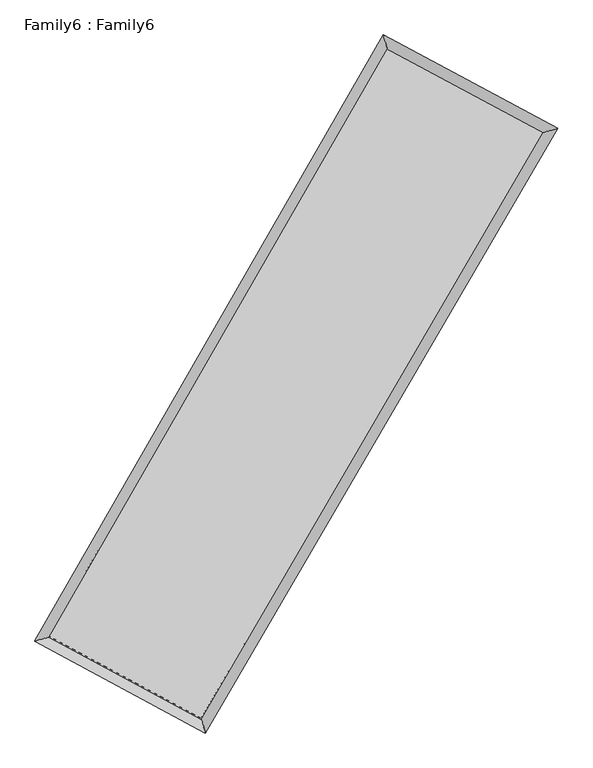
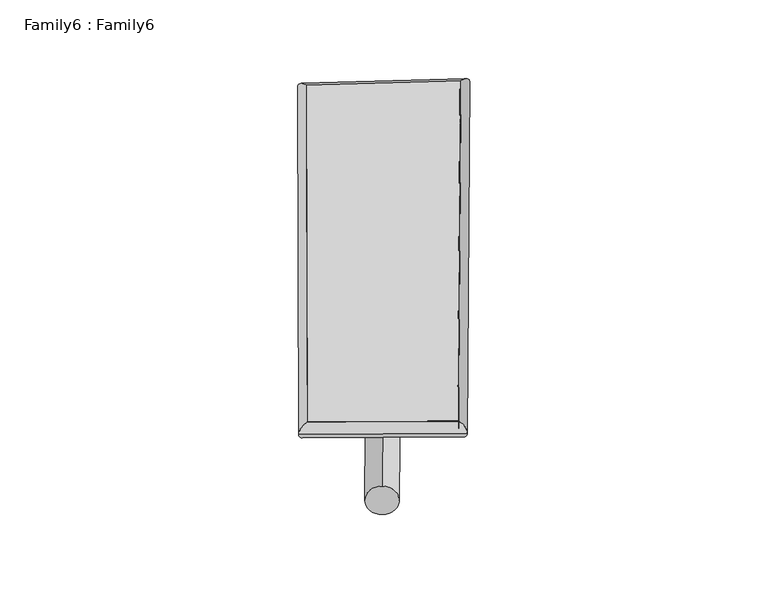
"""IFC4 building model written with IfcOpenShell, lengths in millimetres: plate geometry, Family6 : Family6."""

import ifcopenshell
import ifcopenshell.guid

model = None  # the IFC model being written
_history = None  # IfcOwnerHistory: only IFC2X3 demands one
_inside = {}  # id of a spatial element -> (the spatial element, [elements in it])
_under = {}  # id of a project, library or spatial element -> (it, [spatial elements below it])
_declared = {}  # id of a project -> (the project, [libraries it declares])
_typed = {}  # id of a type object -> (the type object, [elements of that type])
_made_of = {}  # id of a material, layer set ... -> (it, [elements and type objects made of it])


def new_model(schema):
    """Start an empty IFC model of exactly this schema.

    Asked for "IFC4X3", IfcOpenShell would pick the latest addendum, in which some entities
    have other attributes; the version numbers below select the first issue.
    IFC2X3 requires an IfcOwnerHistory on every rooted entity: one is made here for all.
    """
    global model, _history
    if schema == "IFC4X3":
        model = ifcopenshell.file(schema_version=(4, 3, 0, 0))
    else:
        model = ifcopenshell.file(schema=schema)
    _inside.clear()
    _under.clear()
    _declared.clear()
    _typed.clear()
    _made_of.clear()
    _history = None
    if model.schema == "IFC2X3":
        org = make("IfcOrganization", Name="unknown")
        user = make(
            "IfcPersonAndOrganization",
            ThePerson=make("IfcPerson", FamilyName="unknown"),
            TheOrganization=org,
        )
        app = make(
            "IfcApplication",
            ApplicationDeveloper=org,
            Version="unknown",
            ApplicationFullName="unknown",
            ApplicationIdentifier="unknown",
        )
        _history = make(
            "IfcOwnerHistory",
            OwningUser=user,
            OwningApplication=app,
            ChangeAction="ADDED",
            CreationDate=0,
        )
    return model


def make(cls, **values):
    """One entity of the class cls with the attributes given. An attribute that is None is left unset."""
    return model.create_entity(
        cls, **{name: value for name, value in values.items() if value is not None}
    )


def rooted(cls, **values):
    """An entity with a GlobalId (a new one), such as an element, a storey or a relation."""
    return make(cls, GlobalId=ifcopenshell.guid.new(), OwnerHistory=_history, **values)


def si_unit(unit_type, name, prefix=None):
    """IfcSIUnit, for example si_unit("LENGTHUNIT", "METRE", prefix="MILLI")."""
    return make("IfcSIUnit", UnitType=unit_type, Prefix=prefix, Name=name)


def assignment(units):
    """IfcUnitAssignment: the units of a project."""
    return None if units is None else make("IfcUnitAssignment", Units=units)


def point(xyz):
    """IfcCartesianPoint."""
    return None if xyz is None else make("IfcCartesianPoint", Coordinates=xyz)


def direction(xyz):
    """IfcDirection."""
    return None if xyz is None else make("IfcDirection", DirectionRatios=xyz)


def frame(location, z_axis=None, x_axis=None):
    """IfcAxis2Placement3D, a coordinate frame: its origin and axes. An axis left out is left unset."""
    return make(
        "IfcAxis2Placement3D",
        Location=point(location),
        Axis=direction(z_axis),
        RefDirection=direction(x_axis),
    )


def frame_2d(location, x_axis=None):
    """IfcAxis2Placement2D, a coordinate frame in the plane: its origin and x axis."""
    return make(
        "IfcAxis2Placement2D", Location=point(location), RefDirection=direction(x_axis)
    )


def origin():
    """The frame at (0, 0, 0) with its axes left unset."""
    return frame((0.0, 0.0, 0.0))


def origin_2d():
    """The frame at (0, 0) in the plane with its x axis left unset."""
    return frame_2d((0.0, 0.0))


def place(relative_to, where):
    """IfcLocalPlacement: puts the frame where relative to a parent placement (None: the world)."""
    return make(
        "IfcLocalPlacement", PlacementRelTo=relative_to, RelativePlacement=where
    )


def context(
    kind, dimensions, precision=None, world=None, true_north=None, identifier=None
):
    """IfcGeometricRepresentationContext, for example the 3D "Model" context."""
    return make(
        "IfcGeometricRepresentationContext",
        ContextIdentifier=identifier,
        ContextType=kind,
        CoordinateSpaceDimension=dimensions,
        Precision=precision,
        WorldCoordinateSystem=world,
        TrueNorth=true_north,
    )


def project(units=None, contexts=None):
    """IfcProject with its units and contexts."""
    return rooted(
        "IfcProject",
        Name="project",
        RepresentationContexts=contexts,
        UnitsInContext=assignment(units),
    )


def spatial(cls, under=None, at=None, **own):
    """A site, building, storey or space (cls), placed at a placement, below another one or the project."""
    s = rooted(cls, ObjectPlacement=at, **own)
    if under is not None:
        _under.setdefault(under.id(), (under, []))[1].append(s)
    return s


def circle_curve(where, radius):
    """IfcCircle in the frame where."""
    return make("IfcCircle", Position=where, Radius=radius)


def ellipse_curve(where, semi_axis1, semi_axis2):
    """IfcEllipse in the frame where."""
    return make(
        "IfcEllipse", Position=where, SemiAxis1=semi_axis1, SemiAxis2=semi_axis2
    )


def trimmed(basis, trim1, trim2, sense, master):
    """IfcTrimmedCurve: the piece of a basis curve between two trims."""
    return make(
        "IfcTrimmedCurve",
        BasisCurve=basis,
        Trim1=trim1,
        Trim2=trim2,
        SenseAgreement=sense,
        MasterRepresentation=master,
    )


def segment(curve, same_sense, transition):
    """IfcCompositeCurveSegment."""
    return make(
        "IfcCompositeCurveSegment",
        Transition=transition,
        SameSense=same_sense,
        ParentCurve=curve,
    )


def composite_curve(segments, self_intersect=None):
    """IfcCompositeCurve: segments joined end to end."""
    return make("IfcCompositeCurve", Segments=segments, SelfIntersect=self_intersect)


def outline(outer, holes=None, kind="AREA"):
    """IfcArbitraryClosedProfileDef: a profile drawn as a closed curve; with holes, ...WithVoids."""
    if holes is None:
        return make("IfcArbitraryClosedProfileDef", ProfileType=kind, OuterCurve=outer)
    return make(
        "IfcArbitraryProfileDefWithVoids",
        ProfileType=kind,
        OuterCurve=outer,
        InnerCurves=holes,
    )


def extrude(swept, where, along, depth):
    """IfcExtrudedAreaSolid: the profile swept, set in the frame where, extruded along a direction by depth."""
    return make(
        "IfcExtrudedAreaSolid",
        SweptArea=swept,
        Position=where,
        ExtrudedDirection=direction(along),
        Depth=depth,
    )


def shape(context_of_items, identifier, shape_type, items):
    """IfcShapeRepresentation: the items that make up one representation, for example the "Body"."""
    return make(
        "IfcShapeRepresentation",
        ContextOfItems=context_of_items,
        RepresentationIdentifier=identifier,
        RepresentationType=shape_type,
        Items=items,
    )


def source(mapping_origin, context_of_items, identifier, shape_type, items):
    """IfcRepresentationMap: a shape defined once, which mapped items show again and again."""
    return make(
        "IfcRepresentationMap",
        MappingOrigin=mapping_origin,
        MappedRepresentation=shape(context_of_items, identifier, shape_type, items),
    )


def transform(
    local_origin,
    x_axis=None,
    y_axis=None,
    z_axis=None,
    scale=None,
    scale2=None,
    scale3=None,
    uniform=True,
):
    """IfcCartesianTransformationOperator3D, or its non-uniform kind. x_axis, y_axis, z_axis: its Axis1, 2, 3."""
    if uniform:
        return make(
            "IfcCartesianTransformationOperator3D",
            Axis1=direction(x_axis),
            Axis2=direction(y_axis),
            LocalOrigin=point(local_origin),
            Scale=scale,
            Axis3=direction(z_axis),
        )
    return make(
        "IfcCartesianTransformationOperator3DnonUniform",
        Axis1=direction(x_axis),
        Axis2=direction(y_axis),
        LocalOrigin=point(local_origin),
        Scale=scale,
        Axis3=direction(z_axis),
        Scale2=scale2,
        Scale3=scale3,
    )


def mapped(mapping_source, mapping_target):
    """IfcMappedItem: shows the shape of a source again, moved by a transform."""
    return make(
        "IfcMappedItem", MappingSource=mapping_source, MappingTarget=mapping_target
    )


def made_of(thing, what):
    """Note that an element or type object is made of a material, layer set ...; save() writes the relation."""
    if what is not None:
        _made_of.setdefault(what.id(), (what, []))[1].append(thing)
    return thing


def element(
    cls,
    number,
    at=None,
    inside=None,
    cuts=None,
    type_object=None,
    material=None,
    context=None,
    identifier="Body",
    shape_type=None,
    held_by="IfcProductDefinitionShape",
    body=None,
    shapes=None,
    **own,
):
    """One element of the class cls, such as IfcWall. Its Tag is "e" and its number.

    at: its placement. inside: the storey or other place that contains it. cuts: it is an
    opening in that element (IfcRelVoidsElement). A single representation is given by context,
    identifier, shape_type and body (its items); several are given by shapes. held_by: the class
    of the entity that holds the representations. save() writes the other relations.
    """
    e = rooted(cls, Tag="e%d" % number, ObjectPlacement=at, **own)
    if body is not None:
        shapes = [shape(context, identifier, shape_type, body)]
    if shapes is not None:
        e.Representation = make(held_by, Representations=shapes)
    if inside is not None:
        _inside.setdefault(inside.id(), (inside, []))[1].append(e)
    if cuts is not None:
        rooted(
            "IfcRelVoidsElement", RelatingBuildingElement=cuts, RelatedOpeningElement=e
        )
    if type_object is not None:
        _typed.setdefault(type_object.id(), (type_object, []))[1].append(e)
    return made_of(e, material)


def aggregate(whole, parts):
    """IfcRelAggregates: a whole, such as a stair, and the parts it consists of."""
    return rooted("IfcRelAggregates", RelatingObject=whole, RelatedObjects=parts)


def save(model, path):
    """Write the relations noted so far, then the file.

    IfcRelAggregates (storeys below a building ...), IfcRelContainedInSpatialStructure (elements
    in a storey), IfcRelDefinesByType, IfcRelAssociatesMaterial and IfcRelDeclares: one each for
    every whole, place, type object, material and project.
    """
    for whole, parts in _under.values():
        aggregate(whole, parts)
    for where, things in _inside.values():
        rooted(
            "IfcRelContainedInSpatialStructure",
            RelatedElements=things,
            RelatingStructure=where,
        )
    for kind, things in _typed.values():
        rooted("IfcRelDefinesByType", RelatedObjects=things, RelatingType=kind)
    for what, things in _made_of.values():
        rooted("IfcRelAssociatesMaterial", RelatedObjects=things, RelatingMaterial=what)
    for by, libraries in _declared.values():
        rooted("IfcRelDeclares", RelatingContext=by, RelatedDefinitions=libraries)
    model.write(path)


def plane_surface(at):
    """IfcPlane: the flat surface through the origin of the frame at, square to its z axis."""
    return make("IfcPlane", Position=at)


def cylinder_surface(at, radius):
    """IfcCylindricalSurface: all points at the distance radius from the z axis of the frame at."""
    return make("IfcCylindricalSurface", Position=at, Radius=radius)


def spline_surface(u_degree, v_degree, points, u_multiplicities, v_multiplicities, u_knots, v_knots, weights=None):
    """IfcBSplineSurfaceWithKnots; with weights, IfcRationalBSplineSurfaceWithKnots. points: one row for each step in u."""
    own = dict(
        UDegree=u_degree,
        VDegree=v_degree,
        ControlPointsList=[[point(p) for p in row] for row in points],
        SurfaceForm="UNSPECIFIED",
        UClosed=False,
        VClosed=False,
        SelfIntersect=False,
        UMultiplicities=u_multiplicities,
        VMultiplicities=v_multiplicities,
        UKnots=u_knots,
        VKnots=v_knots,
        KnotSpec="UNSPECIFIED",
    )
    if weights is None:
        return make("IfcBSplineSurfaceWithKnots", **own)
    return make("IfcRationalBSplineSurfaceWithKnots", WeightsData=weights, **own)


def advanced_brep(points, edges, surfaces, faces):
    """IfcAdvancedBrep: a solid bounded by faces that lie on surfaces and meet in shared edges.

    An edge is (start, end): straight between two places in points (the first is 0);
    or (start, end, curve); or (start, end, curve, False) where it runs against its curve.
    A face is (place in surfaces, loops), or (place, loops, False) where it looks against
    its surface's normal. A loop lists edges by number (the first is 1), with a minus sign
    where the edge is run from its end to its start. The first loop is the outer one.
    """
    corners = [point(p) for p in points]
    vertices = [make("IfcVertexPoint", VertexGeometry=c) for c in corners]
    made = []
    for start, end, *more in edges:
        made.append(
            make(
                "IfcEdgeCurve",
                EdgeStart=vertices[start],
                EdgeEnd=vertices[end],
                EdgeGeometry=more[0] if more else make("IfcPolyline", Points=[corners[start], corners[end]]),
                SameSense=more[1] if len(more) > 1 else True,
            )
        )
    hull = []
    for where, loops, *sense in faces:
        bounds = []
        for j, loop in enumerate(loops):
            ring = [make("IfcOrientedEdge", EdgeElement=made[abs(k) - 1], Orientation=k > 0) for k in loop]
            bounds.append(
                make(
                    "IfcFaceOuterBound" if j == 0 else "IfcFaceBound",
                    Bound=make("IfcEdgeLoop", EdgeList=ring),
                    Orientation=True,
                )
            )
        hull.append(make("IfcAdvancedFace", Bounds=bounds, FaceSurface=surfaces[where], SameSense=sense[0] if sense else True))
    return make("IfcAdvancedBrep", Outer=make("IfcClosedShell", CfsFaces=hull))


def family6_family6_41c966d8(model_context):
    return source(origin(), model_context, "Body", "SolidModel", [
        extrude(outline(composite_curve([segment(trimmed(circle_curve(origin_2d(), 76.2), [point((-75.4341515, -10.7763074))], [point((75.4341515, 10.7763074))], False, "CARTESIAN"), True, "CONTINUOUS"), segment(trimmed(circle_curve(origin_2d(), 76.2), [point((75.4341515, 10.7763074))], [point((-75.4341515, -10.7763074))], False, "CARTESIAN"), True, "CONTINUOUS")], self_intersect=False)), frame((9144.0, 9144.0, 0.0), z_axis=(0.6757644071748807, 0.6847985134520286, 0.2727516488849772), x_axis=(-0.6769528587479879, 0.7229779186645284, -0.1379773755237912)), (0.0, 0.0, 1.0), 5644.040627),
        extrude(outline(composite_curve([segment(trimmed(circle_curve(origin_2d(), 76.2), [point((-53.8815368, 53.8815367))], [point((53.8815368, -53.8815367))], False, "CARTESIAN"), True, "CONTINUOUS"), segment(trimmed(circle_curve(origin_2d(), 76.2), [point((53.8815368, -53.8815367))], [point((-53.8815368, 53.8815367))], False, "CARTESIAN"), True, "CONTINUOUS")], self_intersect=False)), frame((9144.0, 9144.0, 0.0), z_axis=(-0.671928370041409, -0.688301057999023, 0.27341162939955754), x_axis=(0.642383745891069, -0.3579132645367718, 0.6776733859932743)), (0.0, 0.0, 1.0), 5630.8834385),
        extrude(outline(composite_curve([segment(trimmed(circle_curve(origin_2d(), 76.2), [point((-53.8815367, -53.8815367))], [point((53.8815367, 53.8815367))], False, "CARTESIAN"), True, "CONTINUOUS"), segment(trimmed(circle_curve(origin_2d(), 76.2), [point((53.8815367, 53.8815367))], [point((-53.8815367, -53.8815367))], False, "CARTESIAN"), True, "CONTINUOUS")], self_intersect=False)), frame((9144.0, 9144.0, 0.0), z_axis=(0.25354572183266605, 0.9284933809033654, 0.271320121920566), x_axis=(-0.8435132603725026, 0.34951420648760617, -0.40782986531038856)), (0.0, 0.0, 1.0), 5551.0222113),
        extrude(outline(composite_curve([segment(trimmed(circle_curve(origin_2d(), 76.2), [point((-75.4341514, 10.7763074))], [point((75.4341514, -10.7763074))], False, "CARTESIAN"), True, "CONTINUOUS"), segment(trimmed(circle_curve(origin_2d(), 76.2), [point((75.4341514, -10.7763074))], [point((-75.4341514, 10.7763074))], False, "CARTESIAN"), True, "CONTINUOUS")], self_intersect=False)), frame((9144.0, 9144.0, 0.0), z_axis=(-0.25879446736383, -0.9270225887355764, 0.2713937059621354), x_axis=(0.8833984182914782, -0.11350806566212765, 0.45466817965386225)), (0.0, 0.0, 1.0), 5547.9568149),
        advanced_brep(
        [(5150.3668611, 5208.5454285, 1537.1718621), (5150.336144, 5208.4969424, 1542.7976549), (5570.5324775, 5327.9685152, 1541.9261696), (10609.8320262, 14093.9332964, 1509.4584914), (10493.0438407, 14502.2414644, 1502.7495549), (5570.5631946, 5328.0170012, 1536.3003769), (12746.8310543, 12949.2858143, 1539.0434085), (13169.2524824, 13068.7754482, 1539.7993663), (7650.8141194, 4205.0868117, 1506.2910951), (7765.6248228, 3796.7506108, 1505.070026)],
        [
            (0, 1, ellipse_curve(frame((5360.4496693, 5268.2569718, 1539.5490159), z_axis=(-0.2734644880674477, 0.961858086775198, 0.006796666180150677), x_axis=(-0.9618004305890745, -0.27352651939166167, 0.011098419173642623)), 218.4724805, 152.4)),
            (1, 2, ellipse_curve(frame((5360.4496693, 5268.2569718, 1539.5490159), z_axis=(-0.2734644880674477, 0.961858086775198, 0.006796666180150677), x_axis=(-0.9618004305890745, -0.27352651939166167, 0.011098419173642623)), 218.4724805, 152.4)),
            (2, 3),
            (3, 4, ellipse_curve(frame((10551.4379335, 14298.0873804, 1506.1040232), z_axis=(-0.9613977591018004, -0.2750910721106691, -0.006265049005333634), x_axis=(0.2750129689565894, -0.9613768283022, 0.01106620573117091)), 212.3698727, 152.4)),
            (4, 0),
            (2, 5, ellipse_curve(frame((5360.4496693, 5268.2569718, 1539.5490159), z_axis=(-0.2734644880674477, 0.961858086775198, 0.006796666180150677), x_axis=(-0.9618004305890745, -0.27352651939166167, 0.011098419173642623)), 218.4724805, 152.4)),
            (5, 0, ellipse_curve(frame((5360.4496693, 5268.2569718, 1539.5490159), z_axis=(-0.2734644880674477, 0.961858086775198, 0.006796666180150677), x_axis=(-0.9618004305890745, -0.27352651939166167, 0.011098419173642623)), 218.4724805, 152.4)),
            (4, 3, ellipse_curve(frame((10551.4379335, 14298.0873804, 1506.1040232), z_axis=(-0.9613977591018004, -0.2750910721106691, -0.006265049005333634), x_axis=(0.2750129689565894, -0.9613768283022, 0.01106620573117091)), 212.3698727, 152.4)),
            (3, 6),
            (6, 7, ellipse_curve(frame((12958.0417684, 13009.0306312, 1539.4213874), z_axis=(-0.27217195467286787, 0.9622269623046587, -0.0064575617302085634), x_axis=(-0.9621728184598282, -0.27222862186693425, -0.010725896396121277)), 219.5079708, 152.4)),
            (7, 4),
            (7, 6, ellipse_curve(frame((12958.0417684, 13009.0306312, 1539.4213874), z_axis=(-0.27217195467286787, 0.9622269623046587, -0.0064575617302085634), x_axis=(-0.9621728184598282, -0.27222862186693425, -0.010725896396121277)), 219.5079708, 152.4)),
            (6, 8),
            (8, 9, ellipse_curve(frame((7708.2194711, 4000.9187112, 1505.6805605), z_axis=(0.9626457656561441, 0.2706839922085098, -0.006580746641510806), x_axis=(-0.2705995487025288, 0.9626238776708685, 0.01145226527322708)), 212.0930408, 152.4)),
            (9, 7),
            (9, 8, ellipse_curve(frame((7708.2194711, 4000.9187112, 1505.6805605), z_axis=(0.9626457656561441, 0.2706839922085098, -0.006580746641510806), x_axis=(-0.2705995487025288, 0.9626238776708685, 0.01145226527322708)), 212.0930408, 152.4)),
            (8, 5),
            (1, 9),
        ],
        [
            cylinder_surface(frame((5360.4496693, 5268.2569718, 1539.5490159), z_axis=(-0.498384549217667, -0.8669501313958882, 0.0032110393574918275), x_axis=(-0.8668300675229623, 0.4982455450192616, -0.018894732244613018)), 152.4),
            cylinder_surface(frame((10551.4379335, 14298.0873804, 1506.1040232), z_axis=(-0.8814441112867311, 0.47213066988413055, -0.012202837076159644), x_axis=(0.47225080097391614, 0.881405572458733, -0.010168471772490036)), 152.4),
            cylinder_surface(frame((12958.0417684, 13009.0306312, 1539.4213874), z_axis=(0.5035170068980829, 0.8639792539526914, 0.0032361248039787334), x_axis=(0.8639848723112244, -0.5035170068980829, -0.000874174898563222)), 152.4),
            cylinder_surface(frame((7708.2194711, 4000.9187112, 1505.6805605), z_axis=(0.8799061750728754, -0.47497789626795905, -0.012693349655882875), x_axis=(-0.47490740609902915, -0.8799968294735346, 0.008278632062040232)), 152.4),
        ],
        [
            (0, [[1, 2, 3, 4, 5]]),
            (0, [[6, 7, -5, 8, -3]]),
            (1, [[-4, 9, 10, 11]]),
            (1, [[-8, -11, 12, -9]]),
            (2, [[-10, 13, 14, 15]]),
            (2, [[-12, -15, 16, -13]]),
            (3, [[-14, 17, -6, -2, 18]]),
            (3, [[-16, -18, -1, -7, -17]]),
        ],
    ),
        extrude(outline(composite_curve([segment(trimmed(circle_curve(origin_2d(), 304.8), [point((0.0, 304.8))], [point((0.0, -304.8))], False, "CARTESIAN"), True, "CONTINUOUS"), segment(trimmed(circle_curve(origin_2d(), 304.8), [point((0.0, -304.8))], [point((0.0, 304.8))], False, "CARTESIAN"), True, "CONTINUOUS")], self_intersect=False)), frame((11782.6185249, 13666.3227338, -0.0100434), z_axis=(-0.5039560868849535, -0.863729276155397, 1.9182052003067876e-06), x_axis=(-0.8637292761573712, 0.5039560868849534, -5.18686484650346e-07)), (0.0, 0.0, 1.0), 10471.6208161),
        advanced_brep(
        [(5360.4496693, 5268.2569718, 1539.5490159), (7708.2194711, 4000.9187112, 1505.6805605), (7708.2130081, 4000.9197148, 1658.0805604), (5360.4432062, 5268.2579753, 1691.9490157), (12958.0417684, 13009.0306312, 1539.4213874), (12958.0353053, 13009.0316347, 1691.8213872), (10551.4379335, 14298.0873804, 1506.1040232), (10551.4314704, 14298.088384, 1658.504023)],
        [
            (0, 1),
            (1, 2),
            (2, 3),
            (3, 0),
            (1, 4),
            (4, 5),
            (5, 2),
            (4, 6),
            (6, 7),
            (7, 5),
            (6, 0),
            (3, 7),
        ],
        [
            plane_surface(frame((6534.3345702, 4634.5878415, 1522.6147882), z_axis=(-0.47501632563407487, -0.8799769827530554, -1.4350315933611517e-05), x_axis=(0.8799061750728753, -0.47497789626795917, -0.01269334965588286))),
            plane_surface(frame((10333.1306197, 8504.9746712, 1522.5509739), z_axis=(0.8639837122049752, -0.5035197547743661, 3.9955892691754006e-05), x_axis=(0.5035170068980828, 0.8639792539526915, 0.003236124803978749))),
            plane_surface(frame((11754.7398509, 13653.5590058, 1522.7627053), z_axis=(0.47216567310306357, 0.8815098280455762, 1.4219330350377472e-05), x_axis=(-0.8814441112867308, 0.47213066988413044, -0.012202837076159637))),
            plane_surface(frame((7955.9438014, 9783.1721761, 1522.8265195), z_axis=(-0.8669546642894572, 0.4983870067155696, -4.004808853980482e-05), x_axis=(-0.49838454921766695, -0.8669501313958881, 0.003211039357491832))),
            spline_surface(1, 1, [[(7708.2130081, 4000.9197148, 1658.0805604), (5360.4432062, 5268.2579753, 1691.9490157)], [(12958.0353053, 13009.0316347, 1691.8213872), (10551.4314704, 14298.088384, 1658.504023)]], [2, 2], [2, 2], [0.0, 1.0], [0.0, 1.0]),
            spline_surface(1, 1, [[(10551.4379335, 14298.0873804, 1506.1040232), (5360.4496693, 5268.2569718, 1539.5490159)], [(12958.0417684, 13009.0306312, 1539.4213874), (7708.2194711, 4000.9187112, 1505.6805605)]], [2, 2], [2, 2], [0.0, 1.0], [0.0, 1.0]),
        ],
        [
            (0, [[1, 2, 3, 4]]),
            (1, [[5, 6, 7, -2]]),
            (2, [[8, 9, 10, -6]]),
            (3, [[11, -4, 12, -9]]),
            (4, [[-3, -7, -10, -12]]),
            (5, [[-11, -8, -5, -1]]),
        ],
    ),
    ])


if __name__ == "__main__":
    model = new_model("IFC4")
    model_context = context("Model", 3, world=origin())
    ifc_project = project(units=[si_unit("LENGTHUNIT", "METRE", prefix="MILLI")], contexts=[model_context])
    site = spatial("IfcSite", under=ifc_project)
    building = spatial("IfcBuilding", under=site)
    placement = place(None, origin())
    family6_family6_shape = family6_family6_41c966d8(model_context)
    element("IfcPlate", 1, ObjectType="Family6 : Family6", at=placement, inside=building, context=model_context, shape_type="MappedRepresentation", body=[
        mapped(family6_family6_shape, transform((0.0, 0.0, 0.0), x_axis=(1.0, 0.0, 0.0), y_axis=(0.0, 1.0, 0.0), z_axis=(0.0, 0.0, 1.0))),
    ])
    save(model, "model.ifc")
